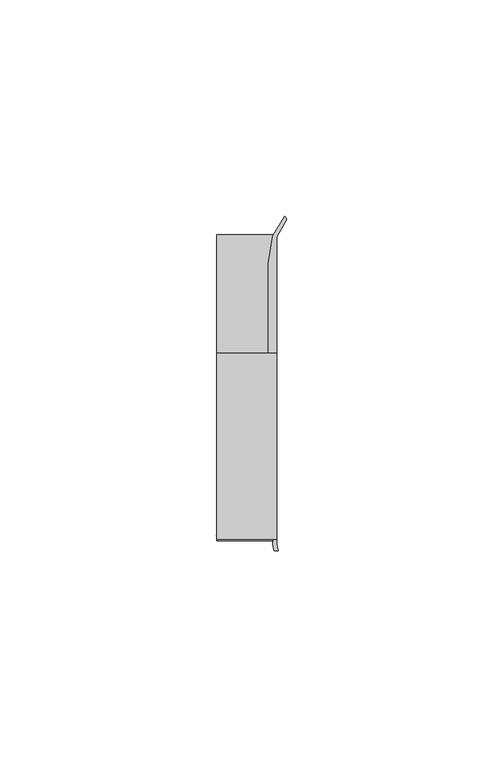
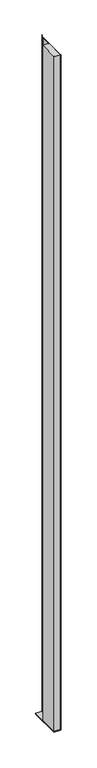
"""IFC4 building model written with IfcOpenShell, lengths in millimetres: furniture geometry."""

from ifc_helpers import new_model, si_unit, point, frame, frame_2d, origin, place, context, project, spatial, polyline, circle_curve, trimmed, segment, composite_curve, outline, extrude, source, transform, mapped, element, save


def furniture_3d888bb3(model_context):
    return source(origin(), model_context, "Body", "SweptSolid", [
        extrude(outline(polyline([(31.9660873, 18.9594777), (31.9660873, -24.0995273), (18.0754623, -24.0995273), (18.0754623, 18.9594777), (31.9660873, 18.9594777)])), frame((0.0, 0.0, 513.1992824), z_axis=(0.0, 0.0, 1.0), x_axis=(1.0, 0.0, 0.0)), (0.0, 0.0, 1.0), 1588.6507176),
        extrude(outline(polyline([(18.0754623, -24.0995273), (18.0754623, 46.6824219), (31.9660873, 46.6824219), (31.9660873, -24.0995273), (18.0754623, -24.0995273)])), frame((0.0, 0.0, 510.667), z_axis=(0.0, 0.0, 1.0), x_axis=(1.0, 0.0, 0.0)), (0.0, 0.0, 1.0), 2.5322824),
        extrude(outline(composite_curve([segment(polyline([(33.8779838, 50.6802202), (34.2963358, 49.8958113), (31.9660873, 45.8886719), (31.9660873, -25.0252959)]), True, "CONTINUOUS"), segment(trimmed(circle_curve(frame_2d((36.5370848, -24.9306779)), 4.5719767), [point((31.9660873, -25.0252959))], [point((32.3362111, -26.7350146))], True, "CARTESIAN"), True, "CONTINUOUS"), segment(polyline([(32.3362111, -26.7350146), (31.3598061, -26.7312177)]), True, "CONTINUOUS"), segment(trimmed(circle_curve(frame_2d((38.1067431, -24.7767162)), 7.0243316), [point((31.3598061, -26.7312177))], [point((31.0897622, -25.0979846))], False, "CARTESIAN"), True, "CONTINUOUS"), segment(polyline([(31.0897622, -25.0979846), (31.204088, -24.0995273), (18.7580885, -24.0995273), (17.9586029, -23.2998418), (31.2224462, -23.2998418), (31.2224462, 18.9594777), (29.9783377, 18.9594777), (29.9783377, 39.6814262), (31.1100649, 46.0995711), (33.8779838, 50.6802202)]), True, "CONTINUOUS")], self_intersect=False)), frame((0.0, 0.0, 513.1992824), z_axis=(0.0, 0.0, 1.0), x_axis=(1.0, 0.0, 0.0)), (0.0, 0.0, 1.0), 1588.6507176),
    ])


if __name__ == "__main__":
    model = new_model("IFC4")
    model_context = context("Model", 3, world=origin())
    ifc_project = project(units=[si_unit("LENGTHUNIT", "METRE", prefix="MILLI")], contexts=[model_context])
    site = spatial("IfcSite", under=ifc_project)
    building = spatial("IfcBuilding", under=site)
    placement = place(None, origin())
    furniture_shape = furniture_3d888bb3(model_context)
    element("IfcFurniture", 1, at=placement, inside=building, context=model_context, shape_type="MappedRepresentation", body=[
        mapped(furniture_shape, transform((0.0, 0.0, 0.0), x_axis=(1.0, 0.0, 0.0), y_axis=(0.0, 1.0, 0.0), z_axis=(0.0, 0.0, 1.0))),
    ])
    save(model, "model.ifc")
